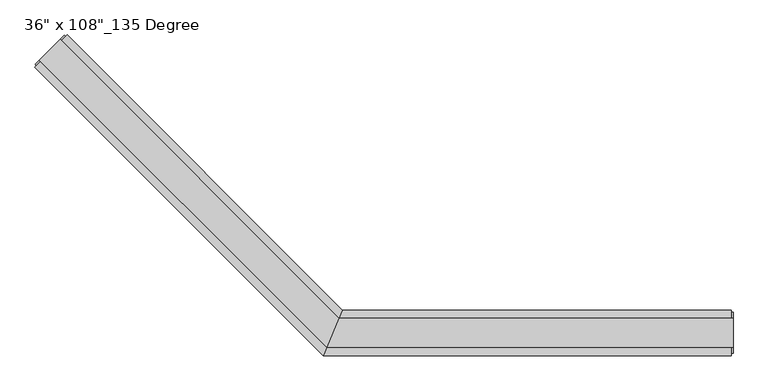
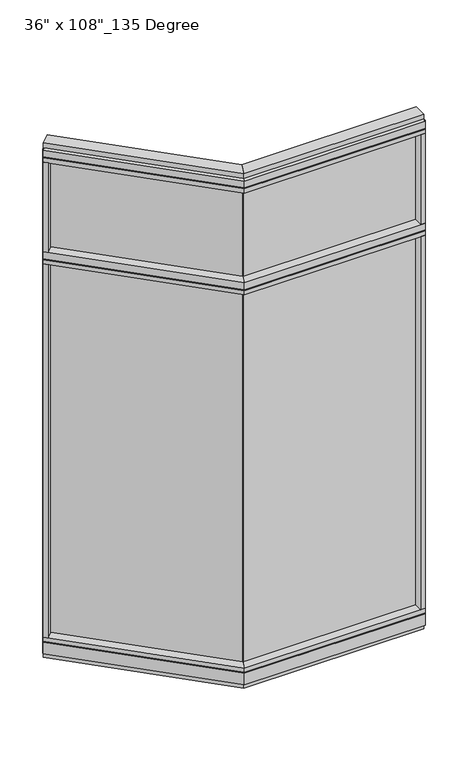
"""IFC4 building model written with IfcOpenShell, lengths in millimetres: furniture geometry."""

from ifc_helpers import new_model, si_unit, frame, origin, origin_with_axes, place, context, project, spatial, polyline, outline, extrude, faceted_brep, source, transform, mapped, element, save


def furniture_adc2c566(model_context):
    return source(origin(), model_context, "Body", "SolidModel", [
        extrude(outline(polyline([(-1112.986714, 605.0903135), (-1105.8025091, 612.2745184), (-491.1937802, -2.3342105), (-498.3779851, -9.5184154), (-1112.986714, 605.0903135)])), frame((0.0, 0.0, 2174.875), z_axis=(0.0, 0.0, 1.0), x_axis=(1.0, 0.0, 0.0)), (0.0, 0.0, 1.0), 457.2),
        extrude(outline(polyline([(-1112.986714, 605.0903135), (-1105.8025091, 612.2745184), (-491.1937802, -2.3342105), (-498.3779851, -9.5184154), (-1112.986714, 605.0903135)])), frame((0.0, 0.0, 120.523), z_axis=(0.0, 0.0, 1.0), x_axis=(1.0, 0.0, 0.0)), (0.0, 0.0, 1.0), 2013.077),
        extrude(outline(polyline([(-1089.1890353, 660.3188887), (-475.152425, 46.2822784), (-517.2365229, -55.3177216), (-1161.0310843, 588.4768397), (-1089.1890353, 660.3188887)])), frame((0.0, 0.0, 2111.375), z_axis=(0.0, 0.0, 1.0), x_axis=(1.0, 0.0, 0.0)), (0.0, 0.0, 1.0), 22.225),
        faceted_brep([(-475.152425, 46.2822784, 2138.553), (-475.152425, 46.2822784, 2174.875), (-517.2365229, -55.3177216, 2174.875), (-517.2365229, -55.3177216, 2138.553), (-515.1849232, -50.3647216, 2138.553), (-515.1849232, -50.3647216, 2133.6), (-477.2040248, 41.3292784, 2133.6), (-477.2040248, 41.3292784, 2138.553), (-1089.1890353, 660.3188887, 2138.553), (-1092.6913352, 656.8165888, 2138.553), (-1092.6913352, 656.8165888, 2133.6), (-1157.5287844, 591.9791396, 2133.6), (-1157.5287844, 591.9791396, 2138.553), (-1161.0310843, 588.4768397, 2138.553), (-1161.0310843, 588.4768397, 2174.875), (-1089.1890353, 660.3188887, 2174.875)], [[[0, 1, 2, 3, 4, 5, 6, 7]], [[8, 9, 10, 11, 12, 13, 14, 15]], [[8, 0, 7, 9]], [[13, 3, 2, 14]], [[14, 2, 1, 15]], [[15, 1, 0, 8]], [[9, 7, 6, 10]], [[10, 6, 5, 11]], [[11, 5, 4, 12]], [[12, 4, 3, 13]]]),
        extrude(outline(polyline([(-1145.315636, 572.7613915), (-1161.0310843, 588.4768397), (-1089.1890353, 660.3188887), (-1073.4735871, 644.6034404), (-1145.315636, 572.7613915)])), frame((0.0, 0.0, 2174.875), z_axis=(0.0, 0.0, 1.0), x_axis=(1.0, 0.0, 0.0)), (0.0, 0.0, 1.0), 479.425),
        extrude(outline(polyline([(-1089.1890353, 660.3188887), (-475.152425, 46.2822784), (-517.2365229, -55.3177216), (-1161.0310843, 588.4768397), (-1089.1890353, 660.3188887)])), frame((0.0, 0.0, 2654.3), z_axis=(0.0, 0.0, 1.0), x_axis=(1.0, 0.0, 0.0)), (0.0, 0.0, 1.0), 22.225),
        faceted_brep([(-475.152425, 46.2822784, 2681.478), (-475.152425, 46.2822784, 2717.8), (-517.2365229, -55.3177216, 2717.8), (-517.2365229, -55.3177216, 2681.478), (-515.1849232, -50.3647216, 2681.478), (-515.1849232, -50.3647216, 2676.525), (-477.2040248, 41.3292784, 2676.525), (-477.2040248, 41.3292784, 2681.478), (-1089.1890353, 660.3188887, 2681.478), (-1092.6913352, 656.8165888, 2681.478), (-1092.6913352, 656.8165888, 2676.525), (-1157.5287844, 591.9791396, 2676.525), (-1157.5287844, 591.9791396, 2681.478), (-1161.0310843, 588.4768397, 2681.478), (-1161.0310843, 588.4768397, 2717.8), (-1089.1890353, 660.3188887, 2717.8)], [[[0, 1, 2, 3, 4, 5, 6, 7]], [[8, 9, 10, 11, 12, 13, 14, 15]], [[8, 0, 7, 9]], [[13, 3, 2, 14]], [[14, 2, 1, 15]], [[15, 1, 0, 8]], [[9, 7, 6, 10]], [[10, 6, 5, 11]], [[11, 5, 4, 12]], [[12, 4, 3, 13]]]),
        extrude(outline(polyline([(-1104.9044835, 650.1711992), (-482.7275626, 27.9942784), (-509.6613853, -37.0297216), (-1150.8833948, 604.1922879), (-1104.9044835, 650.1711992)])), frame((0.0, 0.0, 2717.8), z_axis=(0.0, 0.0, 1.0), x_axis=(1.0, 0.0, 0.0)), (0.0, 0.0, 1.0), 25.4),
        faceted_brep([(-477.2040248, 41.3292784, 93.345), (-477.2040248, 41.3292784, 98.298), (-515.1849232, -50.3647216, 98.298), (-515.1849232, -50.3647216, 93.345), (-517.2365229, -55.3177216, 93.345), (-517.2365229, -55.3177216, 31.75), (-475.152425, 46.2822784, 31.75), (-475.152425, 46.2822784, 93.345), (-1089.1890353, 660.3188887, 93.345), (-1089.1890353, 660.3188887, 31.75), (-1161.0310843, 588.4768397, 31.75), (-1161.0310843, 588.4768397, 93.345), (-1157.5287844, 591.9791396, 93.345), (-1157.5287844, 591.9791396, 98.298), (-1092.6913352, 656.8165888, 98.298), (-1092.6913352, 656.8165888, 93.345)], [[[0, 1, 2, 3, 4, 5, 6, 7]], [[8, 9, 10, 11, 12, 13, 14, 15]], [[15, 0, 7, 8]], [[10, 5, 4, 11]], [[9, 6, 5, 10]], [[8, 7, 6, 9]], [[14, 1, 0, 15]], [[13, 2, 1, 14]], [[12, 3, 2, 13]], [[11, 4, 3, 12]]]),
        extrude(outline(polyline([(-1089.1890353, 660.3188887), (-475.152425, 46.2822784), (-517.2365229, -55.3177216), (-1161.0310843, 588.4768397), (-1089.1890353, 660.3188887)])), frame((0.0, 0.0, 98.298), z_axis=(0.0, 0.0, 1.0), x_axis=(1.0, 0.0, 0.0)), (0.0, 0.0, 1.0), 22.225),
        extrude(outline(polyline([(-1104.9044835, 650.1711992), (-482.7275626, 27.9942784), (-509.6613853, -37.0297216), (-1150.8833948, 604.1922879), (-1104.9044835, 650.1711992)])), origin_with_axes(), (0.0, 0.0, 1.0), 31.75),
        extrude(outline(polyline([(-1145.315636, 572.7613915), (-1161.0310843, 588.4768397), (-1089.1890353, 660.3188887), (-1073.4735871, 644.6034404), (-1145.315636, 572.7613915)])), frame((0.0, 0.0, 120.523), z_axis=(0.0, 0.0, 1.0), x_axis=(1.0, 0.0, 0.0)), (0.0, 0.0, 1.0), 1990.852),
        extrude(outline(polyline([(-1160.3126638, 594.763019), (-1095.4752146, 659.6004682), (-1092.6913352, 656.8165888), (-1157.5287844, 591.9791396), (-1160.3126638, 594.763019)])), frame((0.0, 0.0, 31.75), z_axis=(0.0, 0.0, 1.0), x_axis=(1.0, 0.0, 0.0)), (0.0, 0.0, 1.0), 2686.05),
        extrude(outline(polyline([(371.0014771, -9.5977216), (-498.1865229, -9.5977216), (-498.1865229, 0.5622784), (371.0014771, 0.5622784), (371.0014771, -9.5977216)])), frame((0.0, 0.0, 2174.875), z_axis=(0.0, 0.0, 1.0), x_axis=(1.0, 0.0, 0.0)), (0.0, 0.0, 1.0), 457.2),
        extrude(outline(polyline([(371.0014771, -9.5977216), (-498.1865229, -9.5977216), (-498.1865229, 0.5622784), (371.0014771, 0.5622784), (371.0014771, -9.5977216)])), frame((0.0, 0.0, 120.523), z_axis=(0.0, 0.0, 1.0), x_axis=(1.0, 0.0, 0.0)), (0.0, 0.0, 1.0), 2013.077),
        extrude(outline(polyline([(393.2264771, 46.2822784), (393.2264771, -55.3177216), (-517.2365229, -55.3177216), (-475.152425, 46.2822784), (393.2264771, 46.2822784)])), frame((0.0, 0.0, 2111.375), z_axis=(0.0, 0.0, 1.0), x_axis=(1.0, 0.0, 0.0)), (0.0, 0.0, 1.0), 22.225),
        faceted_brep([(-475.152425, 46.2822784, 2138.553), (-477.2040248, 41.3292784, 2138.553), (-477.2040248, 41.3292784, 2133.6), (-515.1849232, -50.3647216, 2133.6), (-515.1849232, -50.3647216, 2138.553), (-517.2365229, -55.3177216, 2138.553), (-517.2365229, -55.3177216, 2174.875), (-475.152425, 46.2822784, 2174.875), (393.2264771, 46.2822784, 2138.553), (393.2264771, 46.2822784, 2174.875), (393.2264771, -55.3177216, 2174.875), (393.2264771, -55.3177216, 2138.553), (393.2264771, -50.3647216, 2138.553), (393.2264771, -50.3647216, 2133.6), (393.2264771, 41.3292784, 2133.6), (393.2264771, 41.3292784, 2138.553)], [[[0, 1, 2, 3, 4, 5, 6, 7]], [[8, 9, 10, 11, 12, 13, 14, 15]], [[8, 15, 1, 0]], [[11, 10, 6, 5]], [[10, 9, 7, 6]], [[9, 8, 0, 7]], [[15, 14, 2, 1]], [[14, 13, 3, 2]], [[13, 12, 4, 3]], [[12, 11, 5, 4]]]),
        extrude(outline(polyline([(371.0014771, -55.3177216), (371.0014771, 46.2822784), (393.2264771, 46.2822784), (393.2264771, -55.3177216), (371.0014771, -55.3177216)])), frame((0.0, 0.0, 2174.875), z_axis=(0.0, 0.0, 1.0), x_axis=(1.0, 0.0, 0.0)), (0.0, 0.0, 1.0), 479.425),
        extrude(outline(polyline([(393.2264771, 46.2822784), (393.2264771, -55.3177216), (-517.2365229, -55.3177216), (-475.152425, 46.2822784), (393.2264771, 46.2822784)])), frame((0.0, 0.0, 2654.3), z_axis=(0.0, 0.0, 1.0), x_axis=(1.0, 0.0, 0.0)), (0.0, 0.0, 1.0), 22.225),
        faceted_brep([(-475.152425, 46.2822784, 2681.478), (-477.2040248, 41.3292784, 2681.478), (-477.2040248, 41.3292784, 2676.525), (-515.1849232, -50.3647216, 2676.525), (-515.1849232, -50.3647216, 2681.478), (-517.2365229, -55.3177216, 2681.478), (-517.2365229, -55.3177216, 2717.8), (-475.152425, 46.2822784, 2717.8), (393.2264771, 46.2822784, 2681.478), (393.2264771, 46.2822784, 2717.8), (393.2264771, -55.3177216, 2717.8), (393.2264771, -55.3177216, 2681.478), (393.2264771, -50.3647216, 2681.478), (393.2264771, -50.3647216, 2676.525), (393.2264771, 41.3292784, 2676.525), (393.2264771, 41.3292784, 2681.478)], [[[0, 1, 2, 3, 4, 5, 6, 7]], [[8, 9, 10, 11, 12, 13, 14, 15]], [[8, 15, 1, 0]], [[11, 10, 6, 5]], [[10, 9, 7, 6]], [[9, 8, 0, 7]], [[15, 14, 2, 1]], [[14, 13, 3, 2]], [[13, 12, 4, 3]], [[12, 11, 5, 4]]]),
        extrude(outline(polyline([(397.1634771, 27.9942784), (397.1634771, -37.0297216), (-509.6613853, -37.0297216), (-482.7275626, 27.9942784), (397.1634771, 27.9942784)])), frame((0.0, 0.0, 2717.8), z_axis=(0.0, 0.0, 1.0), x_axis=(1.0, 0.0, 0.0)), (0.0, 0.0, 1.0), 25.4),
        faceted_brep([(-477.2040248, 41.3292784, 93.345), (-475.152425, 46.2822784, 93.345), (-475.152425, 46.2822784, 31.75), (-517.2365229, -55.3177216, 31.75), (-517.2365229, -55.3177216, 93.345), (-515.1849232, -50.3647216, 93.345), (-515.1849232, -50.3647216, 98.298), (-477.2040248, 41.3292784, 98.298), (393.2264771, 46.2822784, 93.345), (393.2264771, 41.3292784, 93.345), (393.2264771, 41.3292784, 98.298), (393.2264771, -50.3647216, 98.298), (393.2264771, -50.3647216, 93.345), (393.2264771, -55.3177216, 93.345), (393.2264771, -55.3177216, 31.75), (393.2264771, 46.2822784, 31.75)], [[[0, 1, 2, 3, 4, 5, 6, 7]], [[8, 9, 10, 11, 12, 13, 14, 15]], [[9, 8, 1, 0]], [[14, 13, 4, 3]], [[15, 14, 3, 2]], [[8, 15, 2, 1]], [[10, 9, 0, 7]], [[11, 10, 7, 6]], [[12, 11, 6, 5]], [[13, 12, 5, 4]]]),
        extrude(outline(polyline([(393.2264771, 46.2822784), (393.2264771, -55.3177216), (-517.2365229, -55.3177216), (-475.152425, 46.2822784), (393.2264771, 46.2822784)])), frame((0.0, 0.0, 98.298), z_axis=(0.0, 0.0, 1.0), x_axis=(1.0, 0.0, 0.0)), (0.0, 0.0, 1.0), 22.225),
        extrude(outline(polyline([(397.1634771, 27.9942784), (397.1634771, -37.0297216), (-509.6613853, -37.0297216), (-482.7275626, 27.9942784), (397.1634771, 27.9942784)])), origin_with_axes(), (0.0, 0.0, 1.0), 31.75),
        extrude(outline(polyline([(371.0014771, -55.3177216), (371.0014771, 46.2822784), (393.2264771, 46.2822784), (393.2264771, -55.3177216), (371.0014771, -55.3177216)])), frame((0.0, 0.0, 120.523), z_axis=(0.0, 0.0, 1.0), x_axis=(1.0, 0.0, 0.0)), (0.0, 0.0, 1.0), 1990.852),
        extrude(outline(polyline([(397.1634771, -50.3647216), (393.2264771, -50.3647216), (393.2264771, 41.3292784), (397.1634771, 41.3292784), (397.1634771, -50.3647216)])), frame((0.0, 0.0, 31.75), z_axis=(0.0, 0.0, 1.0), x_axis=(1.0, 0.0, 0.0)), (0.0, 0.0, 1.0), 2686.05),
    ])


if __name__ == "__main__":
    model = new_model("IFC4")
    model_context = context("Model", 3, world=origin())
    ifc_project = project(units=[si_unit("LENGTHUNIT", "METRE", prefix="MILLI")], contexts=[model_context])
    site = spatial("IfcSite", under=ifc_project)
    building = spatial("IfcBuilding", under=site)
    placement = place(None, origin())
    furniture_shape = furniture_adc2c566(model_context)
    element("IfcFurniture", 1, ObjectType="36\" x 108\"_135 Degree", at=placement, inside=building, context=model_context, shape_type="MappedRepresentation", body=[
        mapped(furniture_shape, transform((0.0, 0.0, 0.0), x_axis=(1.0, 0.0, 0.0), y_axis=(0.0, 1.0, 0.0), z_axis=(0.0, 0.0, 1.0))),
    ])
    save(model, "model.ifc")
